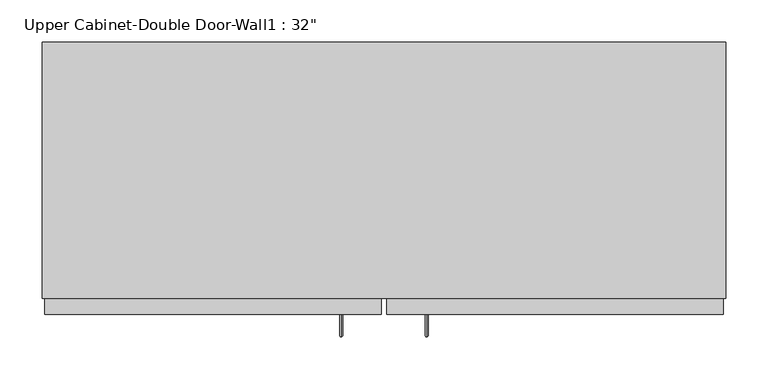
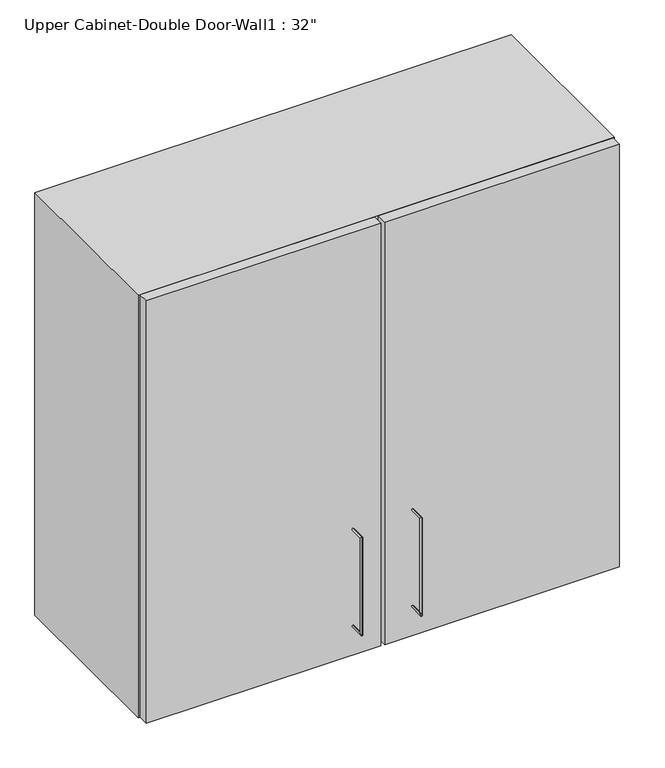
"""IFC4 building model written with IfcOpenShell, lengths in millimetres: furniture geometry."""

from ifc_helpers import new_model, si_unit, frame, origin, place, context, project, spatial, polyline, circle_curve, ellipse_curve, outline, extrude, faceted_brep, source, transform, mapped, element, save
from ifc_brep_helpers import plane_surface, cylinder_surface, advanced_brep


def furniture_94512407(model_context):
    return source(origin(), model_context, "Body", "SolidModel", [
        advanced_brep(
        [(80.5132081, -396.225, 1425.575), (80.5132081, -396.225, 1422.4), (80.5132081, -423.2125, 1422.4), (80.5132081, -420.0375, 1425.575), (80.5132081, -423.2125, 1600.2), (80.5132081, -420.0375, 1597.025), (80.5132081, -396.225, 1597.025), (80.5132081, -396.225, 1600.2)],
        [
            (0, 1, circle_curve(frame((80.5132081, -396.225, 1423.9875), z_axis=(0.0, 1.0, 0.0), x_axis=(0.0, 0.0, -1.0)), 1.5875)),
            (1, 0, circle_curve(frame((80.5132081, -396.225, 1423.9875), z_axis=(0.0, 1.0, 0.0), x_axis=(0.0, 0.0, -1.0)), 1.5875)),
            (1, 2),
            (2, 3, ellipse_curve(frame((80.5132081, -421.625, 1423.9875), z_axis=(0.0, 0.7071067811865536, -0.7071067811865416), x_axis=(0.0, 0.7071067811865415, 0.7071067811865536)), 2.245064, 1.5875)),
            (3, 0),
            (3, 2, ellipse_curve(frame((80.5132081, -421.625, 1423.9875), z_axis=(0.0, 0.7071067811865536, -0.7071067811865416), x_axis=(0.0, 0.7071067811865415, 0.7071067811865536)), 2.245064, 1.5875)),
            (2, 4),
            (4, 5, ellipse_curve(frame((80.5132081, -421.625, 1598.6125), z_axis=(0.0, -0.7071067811865415, -0.7071067811865535), x_axis=(0.0, 0.7071067811865533, -0.7071067811865418)), 2.245064, 1.5875)),
            (5, 3),
            (5, 4, ellipse_curve(frame((80.5132081, -421.625, 1598.6125), z_axis=(0.0, -0.7071067811865415, -0.7071067811865535), x_axis=(0.0, 0.7071067811865533, -0.7071067811865418)), 2.245064, 1.5875)),
            (6, 7, circle_curve(frame((80.5132081, -396.225, 1598.6125), z_axis=(0.0, 1.0, 0.0), x_axis=(0.0, 0.0, 1.0)), 1.5875)),
            (7, 6, circle_curve(frame((80.5132081, -396.225, 1598.6125), z_axis=(0.0, 1.0, 0.0), x_axis=(0.0, 0.0, 1.0)), 1.5875)),
            (4, 7),
            (6, 5),
        ],
        [
            plane_surface(frame((80.5132081, -396.225, 1423.9875), z_axis=(0.0, 1.0, 0.0), x_axis=(-1.0, 0.0, 0.0))),
            cylinder_surface(frame((80.5132081, -396.225, 1423.9875), z_axis=(0.0, 1.0, 0.0), x_axis=(0.0, 0.0, -1.0)), 1.5875),
            cylinder_surface(frame((80.5132081, -421.625, 1423.9875), z_axis=(0.0, 0.0, -1.0), x_axis=(0.0, -1.0, 0.0)), 1.5875),
            plane_surface(frame((80.5132081, -396.225, 1598.6125), z_axis=(0.0, 1.0, 0.0), x_axis=(-1.0, 0.0, 0.0))),
            cylinder_surface(frame((80.5132081, -421.625, 1598.6125), z_axis=(0.0, -1.0, 0.0), x_axis=(0.0, 0.0, 1.0)), 1.5875),
        ],
        [
            (0, [[1, 2]]),
            (1, [[3, 4, 5, -2]]),
            (1, [[-5, 6, -3, -1]]),
            (2, [[7, 8, 9, -4]]),
            (2, [[-9, 10, -7, -6]]),
            (3, [[11, 12]]),
            (4, [[13, -11, 14, -8]]),
            (4, [[-14, -12, -13, -10]]),
        ],
    ),
        advanced_brep(
        [(-21.0867919, -396.225, 1425.575), (-21.0867919, -396.225, 1422.4), (-21.0867919, -423.2125, 1422.4), (-21.0867919, -420.0375, 1425.575), (-21.0867919, -423.2125, 1600.2), (-21.0867919, -420.0375, 1597.025), (-21.0867919, -396.225, 1597.025), (-21.0867919, -396.225, 1600.2)],
        [
            (0, 1, circle_curve(frame((-21.0867919, -396.225, 1423.9875), z_axis=(0.0, 1.0, 0.0), x_axis=(0.0, 0.0, -1.0)), 1.5875)),
            (1, 0, circle_curve(frame((-21.0867919, -396.225, 1423.9875), z_axis=(0.0, 1.0, 0.0), x_axis=(0.0, 0.0, -1.0)), 1.5875)),
            (1, 2),
            (2, 3, ellipse_curve(frame((-21.0867919, -421.625, 1423.9875), z_axis=(0.0, 0.7071067811865536, -0.7071067811865414), x_axis=(0.0, 0.7071067811865416, 0.7071067811865535)), 2.245064, 1.5875)),
            (3, 0),
            (3, 2, ellipse_curve(frame((-21.0867919, -421.625, 1423.9875), z_axis=(0.0, 0.7071067811865536, -0.7071067811865414), x_axis=(0.0, 0.7071067811865416, 0.7071067811865535)), 2.245064, 1.5875)),
            (2, 4),
            (4, 5, ellipse_curve(frame((-21.0867919, -421.625, 1598.6125), z_axis=(0.0, -0.7071067811865415, -0.7071067811865535), x_axis=(0.0, 0.7071067811865533, -0.7071067811865416)), 2.245064, 1.5875)),
            (5, 3),
            (5, 4, ellipse_curve(frame((-21.0867919, -421.625, 1598.6125), z_axis=(0.0, -0.7071067811865415, -0.7071067811865535), x_axis=(0.0, 0.7071067811865533, -0.7071067811865416)), 2.245064, 1.5875)),
            (6, 7, circle_curve(frame((-21.0867919, -396.225, 1598.6125), z_axis=(0.0, 1.0, 0.0), x_axis=(0.0, 0.0, 1.0)), 1.5875)),
            (7, 6, circle_curve(frame((-21.0867919, -396.225, 1598.6125), z_axis=(0.0, 1.0, 0.0), x_axis=(0.0, 0.0, 1.0)), 1.5875)),
            (4, 7),
            (6, 5),
        ],
        [
            plane_surface(frame((-21.0867919, -396.225, 1423.9875), z_axis=(0.0, 1.0, 0.0), x_axis=(-1.0, 0.0, 0.0))),
            cylinder_surface(frame((-21.0867919, -396.225, 1423.9875), z_axis=(0.0, 1.0, 0.0), x_axis=(0.0, 0.0, -1.0)), 1.5875),
            cylinder_surface(frame((-21.0867919, -421.625, 1423.9875), z_axis=(0.0, 0.0, -1.0), x_axis=(0.0, -1.0, 0.0)), 1.5875),
            plane_surface(frame((-21.0867919, -396.225, 1598.6125), z_axis=(0.0, 1.0, 0.0), x_axis=(-1.0, 0.0, 0.0))),
            cylinder_surface(frame((-21.0867919, -421.625, 1598.6125), z_axis=(0.0, -1.0, 0.0), x_axis=(0.0, 0.0, 1.0)), 1.5875),
        ],
        [
            (0, [[1, 2]]),
            (1, [[3, 4, 5, -2]]),
            (1, [[-5, 6, -3, -1]]),
            (2, [[7, 8, 9, -4]]),
            (2, [[-9, 10, -7, -6]]),
            (3, [[11, 12]]),
            (4, [[13, -11, 14, -8]]),
            (4, [[-14, -12, -13, -10]]),
        ],
    ),
        faceted_brep([(-376.6288372, -72.375, 2133.6), (436.1711628, -72.375, 2133.6), (436.1711628, -72.375, 1371.6), (-376.6288372, -72.375, 1371.6), (-376.6288372, -377.175, 2133.6), (-376.6288372, -377.175, 1371.6), (436.1711628, -377.175, 1371.6), (436.1711628, -377.175, 2133.6), (417.1211628, -377.175, 2114.55), (417.1211628, -377.175, 1390.65), (55.1711628, -377.175, 1390.65), (55.1711628, -377.175, 2114.55), (-357.5788372, -377.175, 2114.55), (4.3711628, -377.175, 2114.55), (4.3711628, -377.175, 1390.65), (-357.5788372, -377.175, 1390.65), (-357.5788372, -91.425, 2114.55), (417.1211628, -91.425, 2114.55), (55.1711628, -358.125, 2114.55), (4.3711628, -358.125, 2114.55), (417.1211628, -91.425, 1390.65), (-357.5788372, -91.425, 1390.65), (4.3711628, -358.125, 1390.65), (55.1711628, -358.125, 1390.65)], [[[0, 1, 2, 3]], [[4, 5, 6, 7], [8, 9, 10, 11], [12, 13, 14, 15]], [[3, 5, 4, 0]], [[2, 6, 5, 3]], [[1, 7, 6, 2]], [[0, 4, 7, 1]], [[16, 17, 8, 11, 18, 19, 13, 12]], [[8, 17, 20, 9]], [[20, 21, 15, 14, 22, 23, 10, 9]], [[15, 21, 16, 12]], [[16, 21, 20, 17]], [[18, 11, 10, 23]], [[13, 19, 22, 14]], [[23, 22, 19, 18]]]),
        extrude(outline(polyline([(32.9461628, -396.225), (32.9461628, -377.175), (432.9961628, -377.175), (432.9961628, -396.225), (32.9461628, -396.225)])), frame((0.0, 0.0, 1371.6), z_axis=(0.0, 0.0, 1.0), x_axis=(1.0, 0.0, 0.0)), (0.0, 0.0, 1.0), 762.0),
        extrude(outline(polyline([(-373.4538372, -396.225), (-373.4538372, -377.175), (26.5961628, -377.175), (26.5961628, -396.225), (-373.4538372, -396.225)])), frame((0.0, 0.0, 1371.6), z_axis=(0.0, 0.0, 1.0), x_axis=(1.0, 0.0, 0.0)), (0.0, 0.0, 1.0), 762.0),
        extrude(outline(polyline([(417.1211628, -358.125), (-357.5788372, -358.125), (-357.5788372, -91.425), (417.1211628, -91.425), (417.1211628, -358.125)])), frame((0.0, 0.0, 1951.0326388), z_axis=(0.0, 0.0, 1.0), x_axis=(1.0, 0.0, 0.0)), (0.0, 0.0, 1.0), 12.7),
        extrude(outline(polyline([(417.1211628, -358.125), (-357.5788372, -358.125), (-357.5788372, -91.425), (417.1211628, -91.425), (417.1211628, -358.125)])), frame((0.0, 0.0, 1773.2326388), z_axis=(0.0, 0.0, 1.0), x_axis=(1.0, 0.0, 0.0)), (0.0, 0.0, 1.0), 12.7),
        extrude(outline(polyline([(417.1211628, -358.125), (-357.5788372, -358.125), (-357.5788372, -91.425), (417.1211628, -91.425), (417.1211628, -358.125)])), frame((0.0, 0.0, 1595.4326388), z_axis=(0.0, 0.0, 1.0), x_axis=(1.0, 0.0, 0.0)), (0.0, 0.0, 1.0), 12.7),
    ])


if __name__ == "__main__":
    model = new_model("IFC4")
    model_context = context("Model", 3, world=origin())
    ifc_project = project(units=[si_unit("LENGTHUNIT", "METRE", prefix="MILLI")], contexts=[model_context])
    site = spatial("IfcSite", under=ifc_project)
    building = spatial("IfcBuilding", under=site)
    placement = place(None, origin())
    furniture_shape = furniture_94512407(model_context)
    element("IfcFurniture", 1, ObjectType="Upper Cabinet-Double Door-Wall1 : 32\"", at=placement, inside=building, context=model_context, shape_type="MappedRepresentation", body=[
        mapped(furniture_shape, transform((0.0, 0.0, 0.0), x_axis=(1.0, 0.0, 0.0), y_axis=(0.0, 1.0, 0.0), z_axis=(0.0, 0.0, 1.0))),
    ])
    save(model, "model.ifc")
